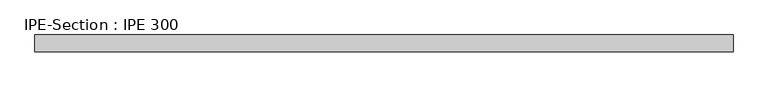
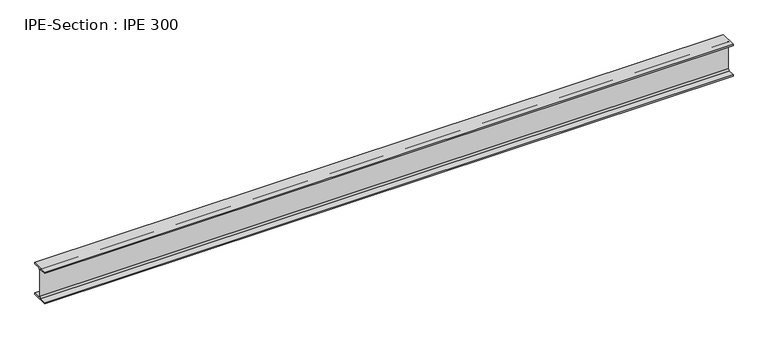
"""IFC4 building model written with IfcOpenShell, lengths in millimetres: beam geometry, IPE-Section : IPE 300."""

from ifc_helpers import new_model, si_unit, point, frame, frame_2d, origin, place, context, project, spatial, polyline, circle_curve, trimmed, segment, composite_curve, outline, extrude, source, transform, mapped, element, save


def ipe_section_ipe_300_61e989eb(model_context):
    return source(origin(), model_context, "Body", "SweptSolid", [
        extrude(outline(composite_curve([segment(polyline([(-75.0, -139.3), (-18.55, -139.3)]), True, "CONTINUOUS"), segment(trimmed(circle_curve(frame_2d((-18.55, -124.3)), 15.0), [point((-18.55, -139.3))], [point((-3.55, -124.3))], True, "CARTESIAN"), True, "CONTINUOUS"), segment(polyline([(-3.55, -124.3), (-3.55, 124.3)]), True, "CONTINUOUS"), segment(trimmed(circle_curve(frame_2d((-18.55, 124.3)), 15.0), [point((-3.55, 124.3))], [point((-18.55, 139.3))], True, "CARTESIAN"), True, "CONTINUOUS"), segment(polyline([(-18.55, 139.3), (-75.0, 139.3), (-75.0, 150.0), (75.0, 150.0), (75.0, 139.3), (18.55, 139.3)]), True, "CONTINUOUS"), segment(trimmed(circle_curve(frame_2d((18.55, 124.3)), 15.0), [point((18.55, 139.3))], [point((3.55, 124.3))], True, "CARTESIAN"), True, "CONTINUOUS"), segment(polyline([(3.55, 124.3), (3.55, -124.3)]), True, "CONTINUOUS"), segment(trimmed(circle_curve(frame_2d((18.55, -124.3)), 15.0), [point((3.55, -124.3))], [point((18.55, -139.3))], True, "CARTESIAN"), True, "CONTINUOUS"), segment(polyline([(18.55, -139.3), (75.0, -139.3), (75.0, -150.0), (-75.0, -150.0), (-75.0, -139.3)]), True, "CONTINUOUS")], self_intersect=False)), frame((-3075.9423758, 0.0, 0.0), z_axis=(1.0, 0.0, 0.0), x_axis=(0.0, 1.0, 0.0)), (0.0, 0.0, 1.0), 6178.3383364),
    ])


if __name__ == "__main__":
    model = new_model("IFC4")
    model_context = context("Model", 3, world=origin())
    ifc_project = project(units=[si_unit("LENGTHUNIT", "METRE", prefix="MILLI")], contexts=[model_context])
    site = spatial("IfcSite", under=ifc_project)
    building = spatial("IfcBuilding", under=site)
    placement = place(None, origin())
    ipe_section_ipe_300_shape = ipe_section_ipe_300_61e989eb(model_context)
    element("IfcBeam", 1, ObjectType="IPE-Section : IPE 300", at=placement, inside=building, context=model_context, shape_type="MappedRepresentation", body=[
        mapped(ipe_section_ipe_300_shape, transform((0.0, 0.0, 0.0), x_axis=(1.0, 0.0, 0.0), y_axis=(0.0, 1.0, 0.0), z_axis=(0.0, 0.0, 1.0))),
    ])
    save(model, "model.ifc")
